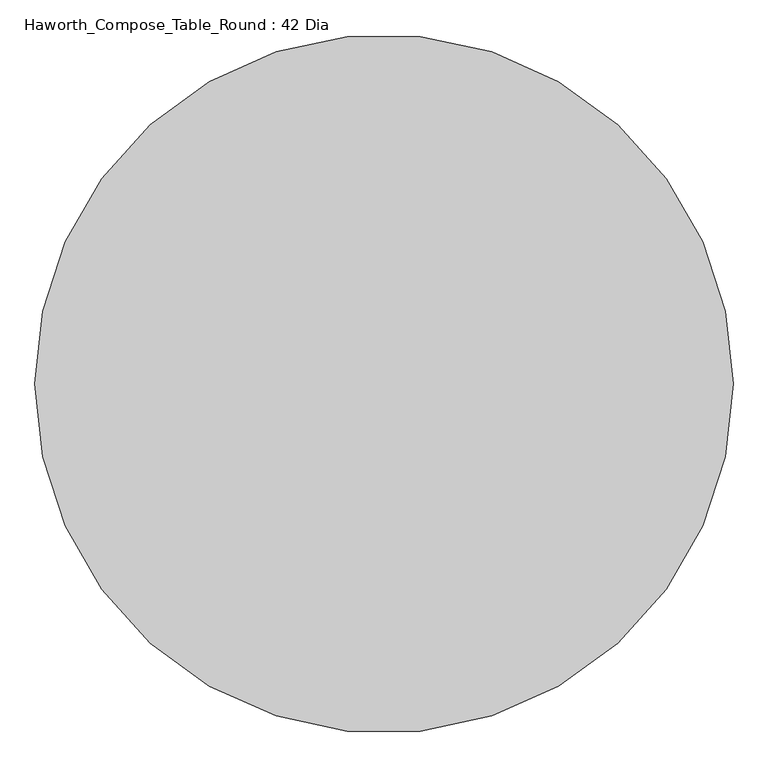
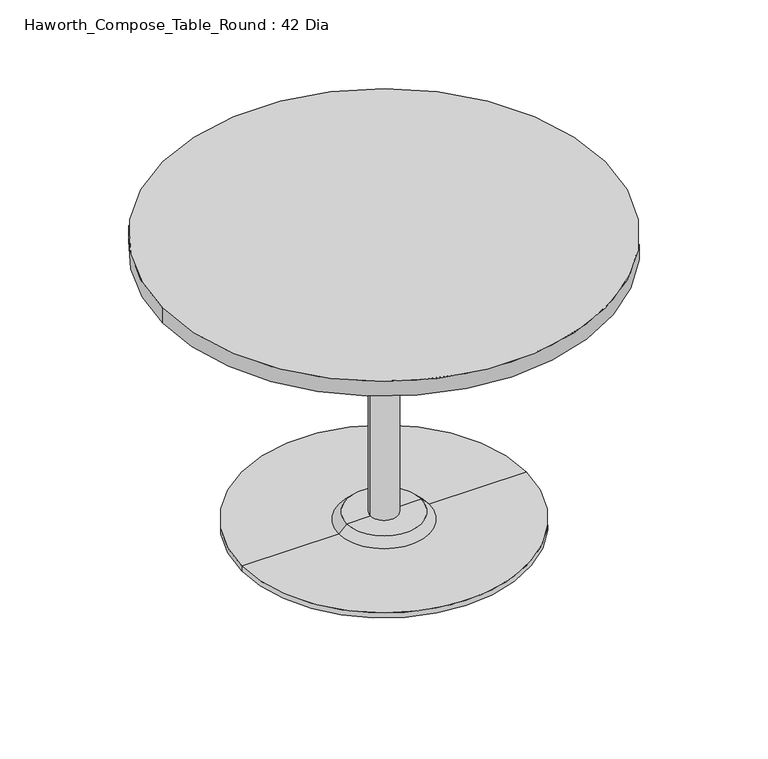
"""IFC4 building model written with IfcOpenShell, lengths in millimetres: furniture geometry, Haworth_Compose_Table_Round : 42 Dia."""

from ifc_helpers import new_model, si_unit, point, frame, frame_2d, origin, place, context, project, spatial, polyline, circle_curve, trimmed, segment, composite_curve, outline, extrude, source, transform, mapped, element, save
from ifc_brep_helpers import plane_surface, cylinder_surface, revolved_surface, advanced_brep


def haworth_compose_table_round_42_dia_abec5ac7(model_context):
    return source(origin(), model_context, "Body", "SolidModel", [
        advanced_brep(
        [(32.573978, 139.7, 698.5), (-32.573978, 139.7, 698.5), (0.0, 139.7, 698.5), (32.573978, 139.7, 31.75), (-32.573978, 139.7, 31.75), (89.723978, 139.7, 31.75), (-89.723978, 139.7, 31.75), (342.9, 139.7, 0.0), (-342.9, 139.7, 0.0), (-342.9, 139.7, 12.7), (342.9, 139.7, 12.7), (0.0, 139.7, 0.0), (108.773978, 139.7, 12.7), (-108.773978, 139.7, 12.7)],
        [
            (0, 1, circle_curve(frame((0.0, 139.7, 698.5), z_axis=(0.0, 0.0, 1.0), x_axis=(-1.0, 0.0, 0.0)), 32.573978)),
            (1, 2),
            (2, 0),
            (1, 0, circle_curve(frame((0.0, 139.7, 698.5), z_axis=(0.0, 0.0, 1.0), x_axis=(-1.0, 0.0, 0.0)), 32.573978)),
            (3, 4, circle_curve(frame((0.0, 139.7, 31.75), z_axis=(0.0, 0.0, 1.0), x_axis=(-1.0, 0.0, 0.0)), 32.573978)),
            (4, 1),
            (0, 3),
            (4, 3, circle_curve(frame((0.0, 139.7, 31.75), z_axis=(0.0, 0.0, 1.0), x_axis=(-1.0, 0.0, 0.0)), 32.573978)),
            (5, 6, circle_curve(frame((0.0, 139.7, 31.75), z_axis=(0.0, 0.0, 1.0), x_axis=(-1.0, 0.0, 0.0)), 89.723978)),
            (6, 4),
            (3, 5),
            (6, 5, circle_curve(frame((0.0, 139.7, 31.75), z_axis=(0.0, 0.0, 1.0), x_axis=(-1.0, 0.0, 0.0)), 89.723978)),
            (7, 8, circle_curve(frame((0.0, 139.7, 0.0), z_axis=(0.0, 0.0, 1.0), x_axis=(-1.0, 0.0, 0.0)), 342.9)),
            (8, 9),
            (9, 10, circle_curve(frame((0.0, 139.7, 12.7), z_axis=(0.0, 0.0, -1.0), x_axis=(-1.0, 0.0, 0.0)), 342.9)),
            (10, 7),
            (8, 7, circle_curve(frame((0.0, 139.7, 0.0), z_axis=(0.0, 0.0, 1.0), x_axis=(-1.0, 0.0, 0.0)), 342.9)),
            (10, 9, circle_curve(frame((0.0, 139.7, 12.7), z_axis=(0.0, 0.0, -1.0), x_axis=(-1.0, 0.0, 0.0)), 342.9)),
            (11, 8),
            (7, 11),
            (12, 13, circle_curve(frame((0.0, 139.7, 12.7), z_axis=(0.0, 0.0, 1.0), x_axis=(-1.0, 0.0, 0.0)), 108.773978)),
            (13, 6),
            (5, 12),
            (13, 12, circle_curve(frame((0.0, 139.7, 12.7), z_axis=(0.0, 0.0, 1.0), x_axis=(-1.0, 0.0, 0.0)), 108.773978)),
            (9, 13),
            (12, 10),
        ],
        [
            plane_surface(frame((0.0, 139.7, 698.5), z_axis=(0.0, 0.0, 1.0), x_axis=(-1.0, 0.0, 0.0))),
            cylinder_surface(frame((0.0, 139.7, 881.685757), z_axis=(0.0, 0.0, -1.0), x_axis=(-1.0, 0.0, 0.0)), 32.573978),
            plane_surface(frame((0.0, 139.7, 31.75), z_axis=(0.0, 0.0, 1.0), x_axis=(-1.0, 0.0, 0.0))),
            cylinder_surface(frame((0.0, 139.7, 881.685757), z_axis=(0.0, 0.0, -1.0), x_axis=(-1.0, 0.0, 0.0)), 342.9),
            plane_surface(frame((0.0, 139.7, 0.0), z_axis=(0.0, 0.0, -1.0), x_axis=(-1.0, 0.0, 0.0))),
            revolved_surface(polyline([(-89.723978, 139.7, 31.75), (-108.773978, 139.7, 12.7)]), (0.0, 139.7, 881.685757), (0.0, 0.0, -1.0)),
            plane_surface(frame((0.0, 139.7, 12.7), z_axis=(0.0, 0.0, 1.0), x_axis=(-1.0, 0.0, 0.0))),
        ],
        [
            (0, [[1, 2, 3]]),
            (0, [[4, -3, -2]]),
            (1, [[5, 6, -1, 7]]),
            (1, [[8, -7, -4, -6]]),
            (2, [[9, 10, -5, 11]]),
            (2, [[12, -11, -8, -10]]),
            (3, [[13, 14, 15, 16]]),
            (3, [[17, -16, 18, -14]]),
            (4, [[19, -13, 20]]),
            (4, [[-20, -17, -19]]),
            (5, [[21, 22, -9, 23]]),
            (5, [[24, -23, -12, -22]]),
            (6, [[-15, 25, -21, 26]]),
            (6, [[-18, -26, -24, -25]]),
        ],
    ),
        extrude(outline(composite_curve([segment(trimmed(circle_curve(frame_2d((0.0, 139.7)), 533.4), [point((-533.4, 139.7))], [point((533.4, 139.7))], False, "CARTESIAN"), True, "CONTINUOUS"), segment(trimmed(circle_curve(frame_2d((0.0, 139.7)), 533.4), [point((533.4, 139.7))], [point((-533.4, 139.7))], False, "CARTESIAN"), True, "CONTINUOUS")], self_intersect=False)), frame((0.0, 0.0, 698.5), z_axis=(0.0, 0.0, 1.0), x_axis=(1.0, 0.0, 0.0)), (0.0, 0.0, 1.0), 38.1),
    ])


if __name__ == "__main__":
    model = new_model("IFC4")
    model_context = context("Model", 3, world=origin())
    ifc_project = project(units=[si_unit("LENGTHUNIT", "METRE", prefix="MILLI")], contexts=[model_context])
    site = spatial("IfcSite", under=ifc_project)
    building = spatial("IfcBuilding", under=site)
    placement = place(None, origin())
    haworth_compose_table_round_42_dia_shape = haworth_compose_table_round_42_dia_abec5ac7(model_context)
    element("IfcFurniture", 1, ObjectType="Haworth_Compose_Table_Round : 42 Dia", at=placement, inside=building, context=model_context, shape_type="MappedRepresentation", body=[
        mapped(haworth_compose_table_round_42_dia_shape, transform((0.0, 0.0, 0.0), x_axis=(1.0, 0.0, 0.0), y_axis=(0.0, 1.0, 0.0), z_axis=(0.0, 0.0, 1.0))),
    ])
    save(model, "model.ifc")
